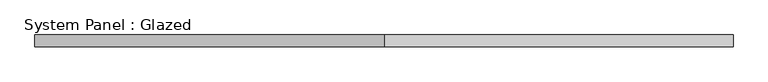
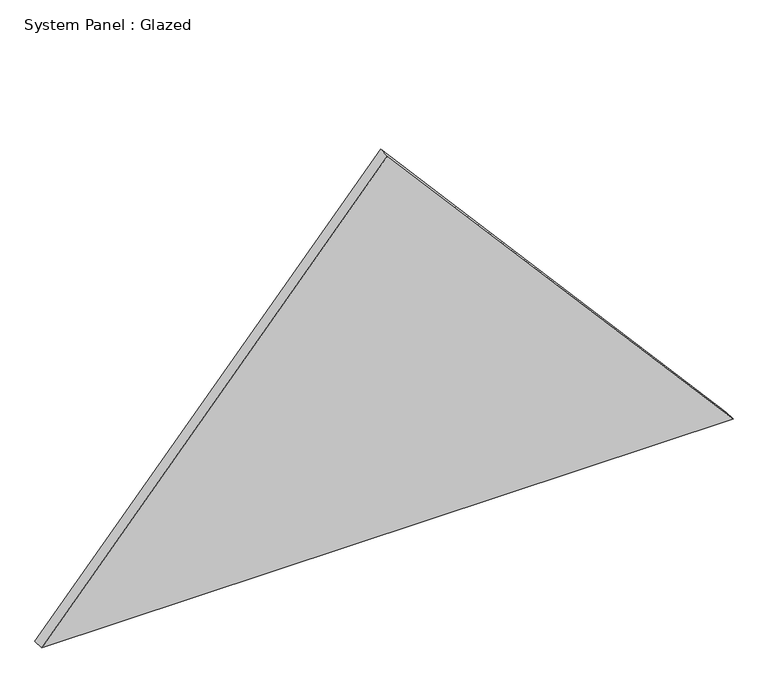
"""IFC4 building model written with IfcOpenShell, lengths in millimetres: plate geometry, System Panel : Glazed."""

from ifc_helpers import new_model, si_unit, frame, origin, place, context, project, spatial, polyline, outline, extrude, source, transform, mapped, element, save


def system_panel_glazed_91df02d2(model_context):
    return source(origin(), model_context, "Body", "SweptSolid", [
        extrude(outline(polyline([(0.0, -745.0), (0.0, 745.0), (860.2519011, 0.0), (0.0, -745.0)])), frame((0.0, 24.5, 0.0), z_axis=(0.0, 1.0, 0.0), x_axis=(0.0, 0.0, 1.0)), (0.0, 0.0, 1.0), 25.0),
    ])


if __name__ == "__main__":
    model = new_model("IFC4")
    model_context = context("Model", 3, world=origin())
    ifc_project = project(units=[si_unit("LENGTHUNIT", "METRE", prefix="MILLI")], contexts=[model_context])
    site = spatial("IfcSite", under=ifc_project)
    building = spatial("IfcBuilding", under=site)
    placement = place(None, origin())
    system_panel_glazed_shape = system_panel_glazed_91df02d2(model_context)
    element("IfcPlate", 1, ObjectType="System Panel : Glazed", at=placement, inside=building, context=model_context, shape_type="MappedRepresentation", body=[
        mapped(system_panel_glazed_shape, transform((0.0, 0.0, 0.0), x_axis=(1.0, 0.0, 0.0), y_axis=(0.0, 1.0, 0.0), z_axis=(0.0, 0.0, 1.0))),
    ])
    save(model, "model.ifc")
